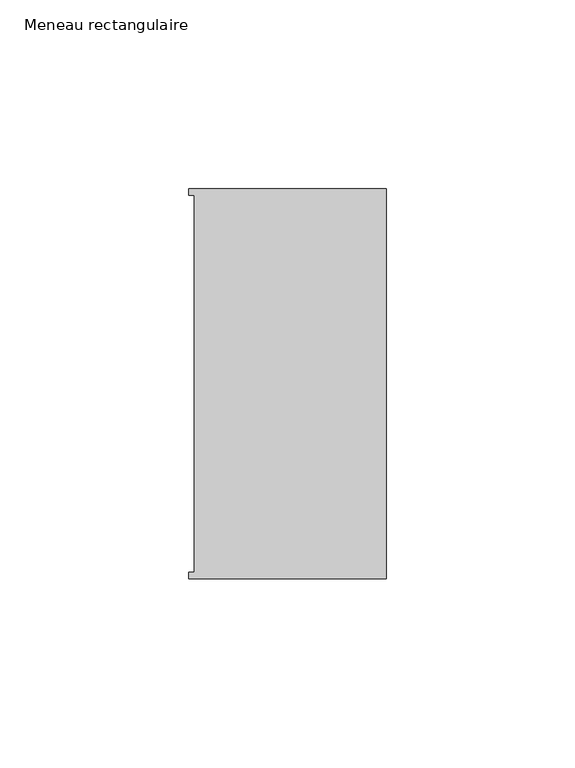
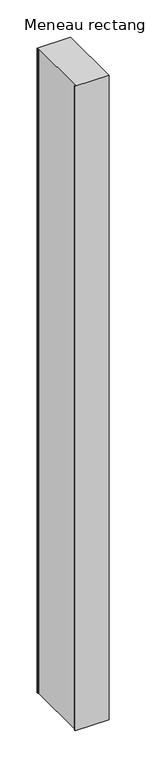
"""IFC4 building model written with IfcOpenShell, lengths in millimetres: member geometry, Meneau rectangulaire."""

import ifcopenshell
import ifcopenshell.guid

model = None  # the IFC model being written
_history = None  # IfcOwnerHistory: only IFC2X3 demands one
_inside = {}  # id of a spatial element -> (the spatial element, [elements in it])
_under = {}  # id of a project, library or spatial element -> (it, [spatial elements below it])
_declared = {}  # id of a project -> (the project, [libraries it declares])
_typed = {}  # id of a type object -> (the type object, [elements of that type])
_made_of = {}  # id of a material, layer set ... -> (it, [elements and type objects made of it])


def new_model(schema):
    """Start an empty IFC model of exactly this schema.

    Asked for "IFC4X3", IfcOpenShell would pick the latest addendum, in which some entities
    have other attributes; the version numbers below select the first issue.
    IFC2X3 requires an IfcOwnerHistory on every rooted entity: one is made here for all.
    """
    global model, _history
    if schema == "IFC4X3":
        model = ifcopenshell.file(schema_version=(4, 3, 0, 0))
    else:
        model = ifcopenshell.file(schema=schema)
    _inside.clear()
    _under.clear()
    _declared.clear()
    _typed.clear()
    _made_of.clear()
    _history = None
    if model.schema == "IFC2X3":
        org = make("IfcOrganization", Name="unknown")
        user = make(
            "IfcPersonAndOrganization",
            ThePerson=make("IfcPerson", FamilyName="unknown"),
            TheOrganization=org,
        )
        app = make(
            "IfcApplication",
            ApplicationDeveloper=org,
            Version="unknown",
            ApplicationFullName="unknown",
            ApplicationIdentifier="unknown",
        )
        _history = make(
            "IfcOwnerHistory",
            OwningUser=user,
            OwningApplication=app,
            ChangeAction="ADDED",
            CreationDate=0,
        )
    return model


def make(cls, **values):
    """One entity of the class cls with the attributes given. An attribute that is None is left unset."""
    return model.create_entity(
        cls, **{name: value for name, value in values.items() if value is not None}
    )


def rooted(cls, **values):
    """An entity with a GlobalId (a new one), such as an element, a storey or a relation."""
    return make(cls, GlobalId=ifcopenshell.guid.new(), OwnerHistory=_history, **values)


def si_unit(unit_type, name, prefix=None):
    """IfcSIUnit, for example si_unit("LENGTHUNIT", "METRE", prefix="MILLI")."""
    return make("IfcSIUnit", UnitType=unit_type, Prefix=prefix, Name=name)


def assignment(units):
    """IfcUnitAssignment: the units of a project."""
    return None if units is None else make("IfcUnitAssignment", Units=units)


def point(xyz):
    """IfcCartesianPoint."""
    return None if xyz is None else make("IfcCartesianPoint", Coordinates=xyz)


def direction(xyz):
    """IfcDirection."""
    return None if xyz is None else make("IfcDirection", DirectionRatios=xyz)


def frame(location, z_axis=None, x_axis=None):
    """IfcAxis2Placement3D, a coordinate frame: its origin and axes. An axis left out is left unset."""
    return make(
        "IfcAxis2Placement3D",
        Location=point(location),
        Axis=direction(z_axis),
        RefDirection=direction(x_axis),
    )


def origin():
    """The frame at (0, 0, 0) with its axes left unset."""
    return frame((0.0, 0.0, 0.0))


def place(relative_to, where):
    """IfcLocalPlacement: puts the frame where relative to a parent placement (None: the world)."""
    return make(
        "IfcLocalPlacement", PlacementRelTo=relative_to, RelativePlacement=where
    )


def context(
    kind, dimensions, precision=None, world=None, true_north=None, identifier=None
):
    """IfcGeometricRepresentationContext, for example the 3D "Model" context."""
    return make(
        "IfcGeometricRepresentationContext",
        ContextIdentifier=identifier,
        ContextType=kind,
        CoordinateSpaceDimension=dimensions,
        Precision=precision,
        WorldCoordinateSystem=world,
        TrueNorth=true_north,
    )


def project(units=None, contexts=None):
    """IfcProject with its units and contexts."""
    return rooted(
        "IfcProject",
        Name="project",
        RepresentationContexts=contexts,
        UnitsInContext=assignment(units),
    )


def spatial(cls, under=None, at=None, **own):
    """A site, building, storey or space (cls), placed at a placement, below another one or the project."""
    s = rooted(cls, ObjectPlacement=at, **own)
    if under is not None:
        _under.setdefault(under.id(), (under, []))[1].append(s)
    return s


def polyline(points):
    """IfcPolyline through the points."""
    return make("IfcPolyline", Points=[point(p) for p in points])


def outline(outer, holes=None, kind="AREA"):
    """IfcArbitraryClosedProfileDef: a profile drawn as a closed curve; with holes, ...WithVoids."""
    if holes is None:
        return make("IfcArbitraryClosedProfileDef", ProfileType=kind, OuterCurve=outer)
    return make(
        "IfcArbitraryProfileDefWithVoids",
        ProfileType=kind,
        OuterCurve=outer,
        InnerCurves=holes,
    )


def extrude(swept, where, along, depth):
    """IfcExtrudedAreaSolid: the profile swept, set in the frame where, extruded along a direction by depth."""
    return make(
        "IfcExtrudedAreaSolid",
        SweptArea=swept,
        Position=where,
        ExtrudedDirection=direction(along),
        Depth=depth,
    )


def shape(context_of_items, identifier, shape_type, items):
    """IfcShapeRepresentation: the items that make up one representation, for example the "Body"."""
    return make(
        "IfcShapeRepresentation",
        ContextOfItems=context_of_items,
        RepresentationIdentifier=identifier,
        RepresentationType=shape_type,
        Items=items,
    )


def source(mapping_origin, context_of_items, identifier, shape_type, items):
    """IfcRepresentationMap: a shape defined once, which mapped items show again and again."""
    return make(
        "IfcRepresentationMap",
        MappingOrigin=mapping_origin,
        MappedRepresentation=shape(context_of_items, identifier, shape_type, items),
    )


def transform(
    local_origin,
    x_axis=None,
    y_axis=None,
    z_axis=None,
    scale=None,
    scale2=None,
    scale3=None,
    uniform=True,
):
    """IfcCartesianTransformationOperator3D, or its non-uniform kind. x_axis, y_axis, z_axis: its Axis1, 2, 3."""
    if uniform:
        return make(
            "IfcCartesianTransformationOperator3D",
            Axis1=direction(x_axis),
            Axis2=direction(y_axis),
            LocalOrigin=point(local_origin),
            Scale=scale,
            Axis3=direction(z_axis),
        )
    return make(
        "IfcCartesianTransformationOperator3DnonUniform",
        Axis1=direction(x_axis),
        Axis2=direction(y_axis),
        LocalOrigin=point(local_origin),
        Scale=scale,
        Axis3=direction(z_axis),
        Scale2=scale2,
        Scale3=scale3,
    )


def mapped(mapping_source, mapping_target):
    """IfcMappedItem: shows the shape of a source again, moved by a transform."""
    return make(
        "IfcMappedItem", MappingSource=mapping_source, MappingTarget=mapping_target
    )


def made_of(thing, what):
    """Note that an element or type object is made of a material, layer set ...; save() writes the relation."""
    if what is not None:
        _made_of.setdefault(what.id(), (what, []))[1].append(thing)
    return thing


def element(
    cls,
    number,
    at=None,
    inside=None,
    cuts=None,
    type_object=None,
    material=None,
    context=None,
    identifier="Body",
    shape_type=None,
    held_by="IfcProductDefinitionShape",
    body=None,
    shapes=None,
    **own,
):
    """One element of the class cls, such as IfcWall. Its Tag is "e" and its number.

    at: its placement. inside: the storey or other place that contains it. cuts: it is an
    opening in that element (IfcRelVoidsElement). A single representation is given by context,
    identifier, shape_type and body (its items); several are given by shapes. held_by: the class
    of the entity that holds the representations. save() writes the other relations.
    """
    e = rooted(cls, Tag="e%d" % number, ObjectPlacement=at, **own)
    if body is not None:
        shapes = [shape(context, identifier, shape_type, body)]
    if shapes is not None:
        e.Representation = make(held_by, Representations=shapes)
    if inside is not None:
        _inside.setdefault(inside.id(), (inside, []))[1].append(e)
    if cuts is not None:
        rooted(
            "IfcRelVoidsElement", RelatingBuildingElement=cuts, RelatedOpeningElement=e
        )
    if type_object is not None:
        _typed.setdefault(type_object.id(), (type_object, []))[1].append(e)
    return made_of(e, material)


def aggregate(whole, parts):
    """IfcRelAggregates: a whole, such as a stair, and the parts it consists of."""
    return rooted("IfcRelAggregates", RelatingObject=whole, RelatedObjects=parts)


def save(model, path):
    """Write the relations noted so far, then the file.

    IfcRelAggregates (storeys below a building ...), IfcRelContainedInSpatialStructure (elements
    in a storey), IfcRelDefinesByType, IfcRelAssociatesMaterial and IfcRelDeclares: one each for
    every whole, place, type object, material and project.
    """
    for whole, parts in _under.values():
        aggregate(whole, parts)
    for where, things in _inside.values():
        rooted(
            "IfcRelContainedInSpatialStructure",
            RelatedElements=things,
            RelatingStructure=where,
        )
    for kind, things in _typed.values():
        rooted("IfcRelDefinesByType", RelatedObjects=things, RelatingType=kind)
    for what, things in _made_of.values():
        rooted("IfcRelAssociatesMaterial", RelatedObjects=things, RelatingMaterial=what)
    for by, libraries in _declared.values():
        rooted("IfcRelDeclares", RelatingContext=by, RelatedDefinitions=libraries)
    model.write(path)


def meneau_rectangulaire_4619a1b5(model_context):
    return source(origin(), model_context, "Body", "SweptSolid", [
        extrude(outline(polyline([(-52.3, 51.6531441), (0.0, 51.6531441), (0.0, -51.6130012), (-52.3, -51.6130012), (-52.3, -49.9174099), (-50.9, -49.9174099), (-50.9, 49.9174073), (-52.3, 49.9174073), (-52.3, 51.6531441)])), frame((0.0, 0.0, -1059.3539609), z_axis=(0.0, 0.0, 1.0), x_axis=(1.0, 0.0, 0.0)), (0.0, 0.0, 1.0), 1059.3539609),
    ])


if __name__ == "__main__":
    model = new_model("IFC4")
    model_context = context("Model", 3, world=origin())
    ifc_project = project(units=[si_unit("LENGTHUNIT", "METRE", prefix="MILLI")], contexts=[model_context])
    site = spatial("IfcSite", under=ifc_project)
    building = spatial("IfcBuilding", under=site)
    placement = place(None, origin())
    meneau_rectangulaire_shape = meneau_rectangulaire_4619a1b5(model_context)
    element("IfcMember", 1, ObjectType="Meneau rectangulaire", at=placement, inside=building, context=model_context, shape_type="MappedRepresentation", body=[
        mapped(meneau_rectangulaire_shape, transform((0.0, 0.0, 0.0), x_axis=(1.0, 0.0, 0.0), y_axis=(0.0, 1.0, 0.0), z_axis=(0.0, 0.0, 1.0))),
    ])
    save(model, "model.ifc")
